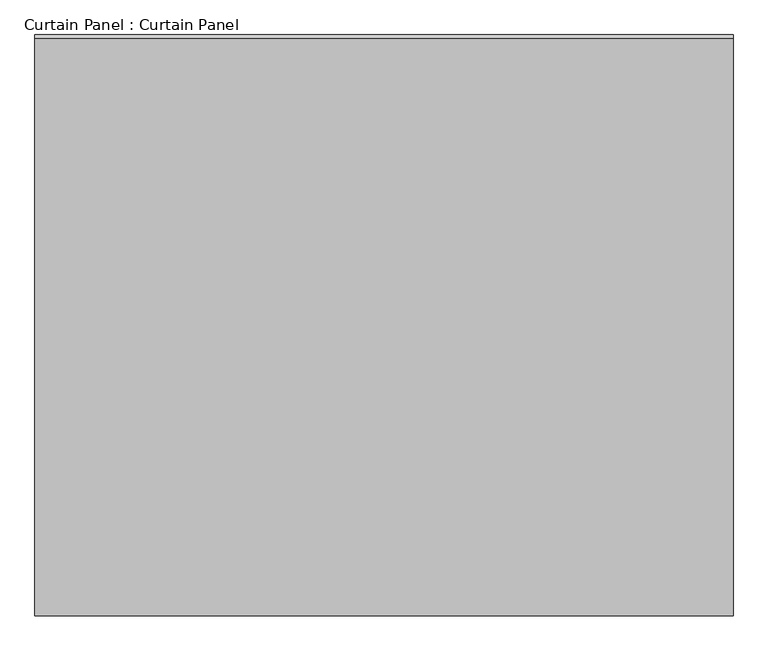
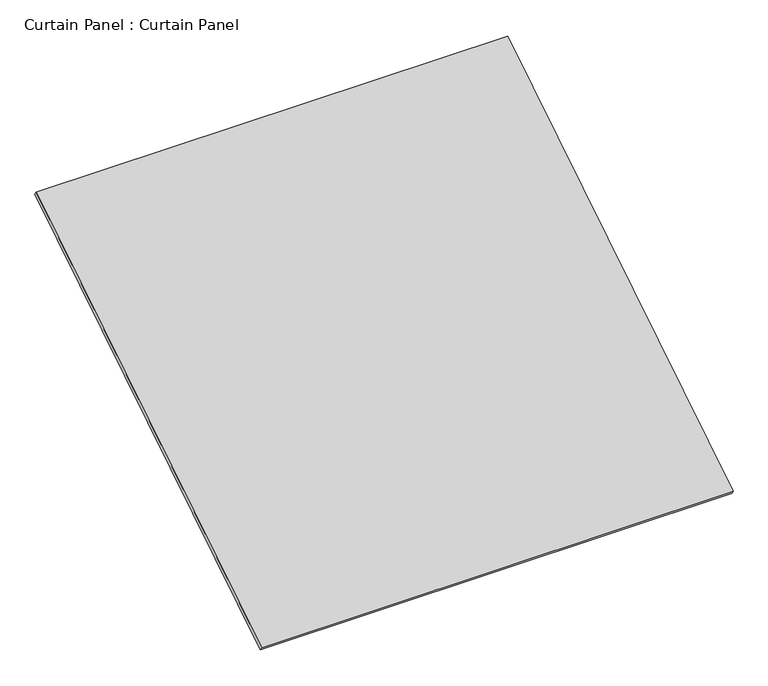
"""IFC4 building model written with IfcOpenShell, lengths in millimetres: plate geometry, Curtain Panel : Curtain Panel."""

from ifc_helpers import new_model, si_unit, frame, origin, place, context, project, spatial, polyline, outline, extrude, source, transform, mapped, element, save


def curtain_panel_curtain_panel_ea3b4e63(model_context):
    return source(origin(), model_context, "Body", "SweptSolid", [
        extrude(outline(polyline([(-63.5, 0.0), (-63.5, -2917.678069), (-3048.0, -2917.678069), (-3048.0, 0.0), (-63.5, 0.0)])), frame((-117670.6430895, -9007.2761663, 3990.319554), z_axis=(0.0, -0.5318918435658209, 0.8468122972348432), x_axis=(-1.0, 0.0, 0.0)), (0.0, 0.0, 1.0), 25.4),
    ])


if __name__ == "__main__":
    model = new_model("IFC4")
    model_context = context("Model", 3, world=origin())
    ifc_project = project(units=[si_unit("LENGTHUNIT", "METRE", prefix="MILLI")], contexts=[model_context])
    site = spatial("IfcSite", under=ifc_project)
    building = spatial("IfcBuilding", under=site)
    placement = place(None, origin())
    curtain_panel_curtain_panel_shape = curtain_panel_curtain_panel_ea3b4e63(model_context)
    element("IfcPlate", 1, ObjectType="Curtain Panel : Curtain Panel", at=placement, inside=building, context=model_context, shape_type="MappedRepresentation", body=[
        mapped(curtain_panel_curtain_panel_shape, transform((0.0, 0.0, 0.0), x_axis=(1.0, 0.0, 0.0), y_axis=(0.0, 1.0, 0.0), z_axis=(0.0, 0.0, 1.0))),
    ])
    save(model, "model.ifc")
